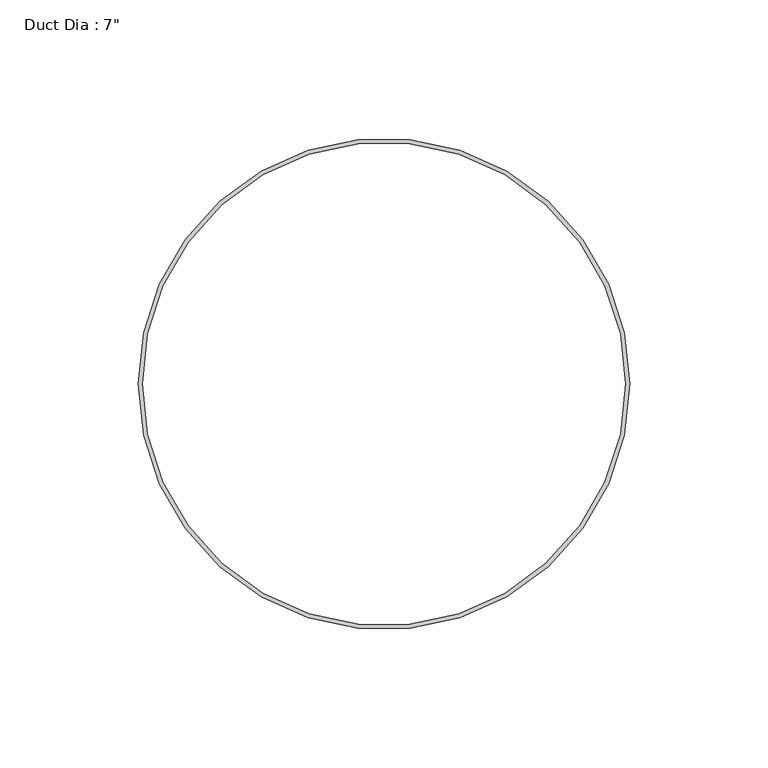
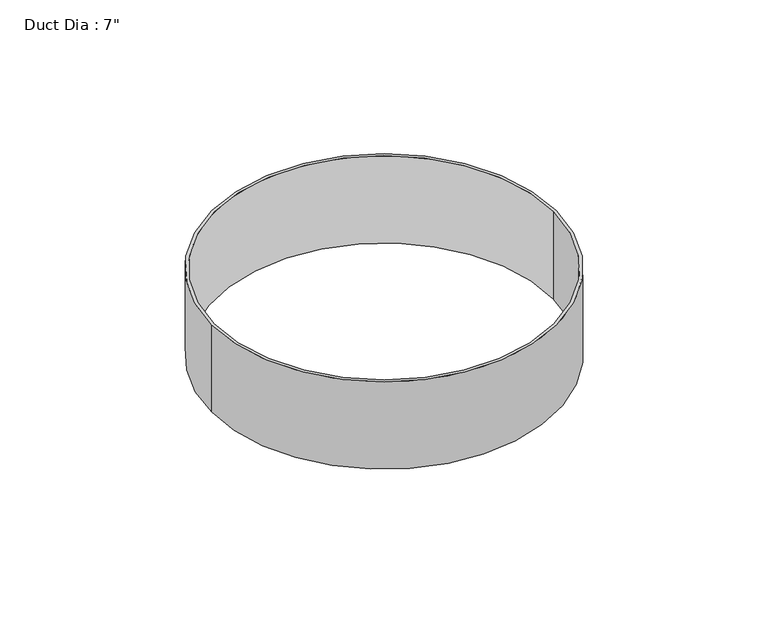
"""IFC4 building model written with IfcOpenShell, lengths in millimetres: proxy geometry."""

from ifc_helpers import new_model, si_unit, point, origin, origin_with_axes, origin_2d, place, context, project, spatial, circle_curve, trimmed, segment, composite_curve, outline, extrude, source, transform, mapped, element, save


def proxy_27c9719c(model_context):
    return source(origin(), model_context, "Body", "SweptSolid", [
        extrude(outline(composite_curve([segment(trimmed(circle_curve(origin_2d(), 88.9), [point((-88.9, 0.0))], [point((88.9, 0.0))], False, "CARTESIAN"), True, "CONTINUOUS"), segment(trimmed(circle_curve(origin_2d(), 88.9), [point((88.9, 0.0))], [point((-88.9, 0.0))], False, "CARTESIAN"), True, "CONTINUOUS")], self_intersect=False), holes=[composite_curve([segment(trimmed(circle_curve(origin_2d(), 87.3125), [point((-87.3125, 0.0))], [point((87.3125, 0.0))], True, "CARTESIAN"), True, "CONTINUOUS"), segment(trimmed(circle_curve(origin_2d(), 87.3125), [point((87.3125, 0.0))], [point((-87.3125, 0.0))], True, "CARTESIAN"), True, "CONTINUOUS")], self_intersect=False)]), origin_with_axes(), (0.0, 0.0, 1.0), 47.625),
    ])


if __name__ == "__main__":
    model = new_model("IFC4")
    model_context = context("Model", 3, world=origin())
    ifc_project = project(units=[si_unit("LENGTHUNIT", "METRE", prefix="MILLI")], contexts=[model_context])
    site = spatial("IfcSite", under=ifc_project)
    building = spatial("IfcBuilding", under=site)
    placement = place(None, origin())
    proxy_shape = proxy_27c9719c(model_context)
    element("IfcBuildingElementProxy", 1, Name="Duct Dia : 7\"", ObjectType="Duct Dia : 7\"", at=placement, inside=building, context=model_context, shape_type="MappedRepresentation", body=[
        mapped(proxy_shape, transform((0.0, 0.0, 0.0), x_axis=(1.0, 0.0, 0.0), y_axis=(0.0, 1.0, 0.0), z_axis=(0.0, 0.0, 1.0))),
    ])
    save(model, "model.ifc")
